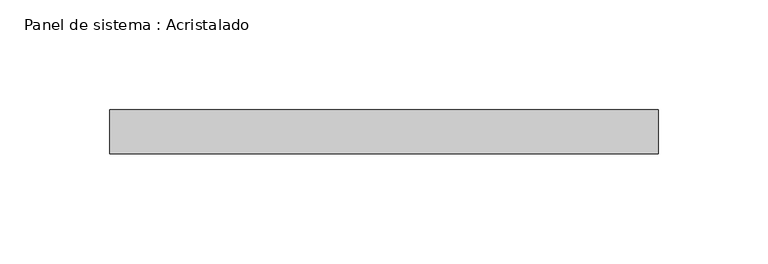
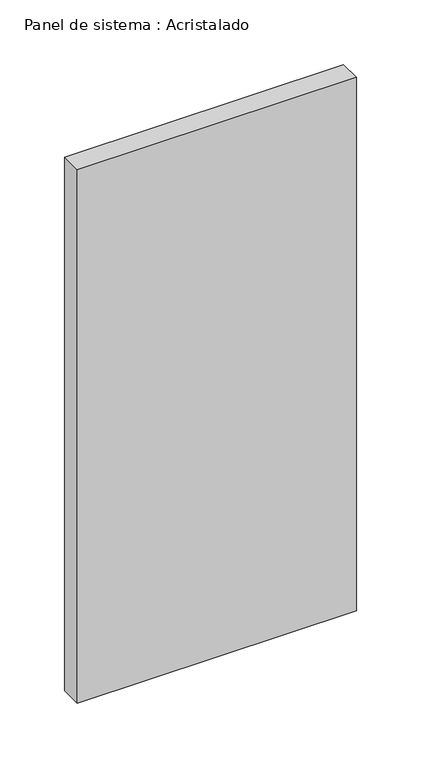
"""IFC4 building model written with IfcOpenShell, lengths in millimetres: plate geometry, Panel de sistema : Acristalado."""

from ifc_helpers import new_model, si_unit, origin, origin_with_axes, place, context, project, spatial, polyline, outline, extrude, source, transform, mapped, element, save


def panel_de_sistema_acristalado_518f84f7(model_context):
    return source(origin(), model_context, "Body", "SweptSolid", [
        extrude(outline(polyline([(125.0, -10.0), (-125.0, -10.0), (-125.0, 10.0), (125.0, 10.0), (125.0, -10.0)])), origin_with_axes(), (0.0, 0.0, 1.0), 505.0),
    ])


if __name__ == "__main__":
    model = new_model("IFC4")
    model_context = context("Model", 3, world=origin())
    ifc_project = project(units=[si_unit("LENGTHUNIT", "METRE", prefix="MILLI")], contexts=[model_context])
    site = spatial("IfcSite", under=ifc_project)
    building = spatial("IfcBuilding", under=site)
    placement = place(None, origin())
    panel_de_sistema_acristalado_shape = panel_de_sistema_acristalado_518f84f7(model_context)
    element("IfcPlate", 1, ObjectType="Panel de sistema : Acristalado", at=placement, inside=building, context=model_context, shape_type="MappedRepresentation", body=[
        mapped(panel_de_sistema_acristalado_shape, transform((0.0, 0.0, 0.0), x_axis=(1.0, 0.0, 0.0), y_axis=(0.0, 1.0, 0.0), z_axis=(0.0, 0.0, 1.0))),
    ])
    save(model, "model.ifc")
